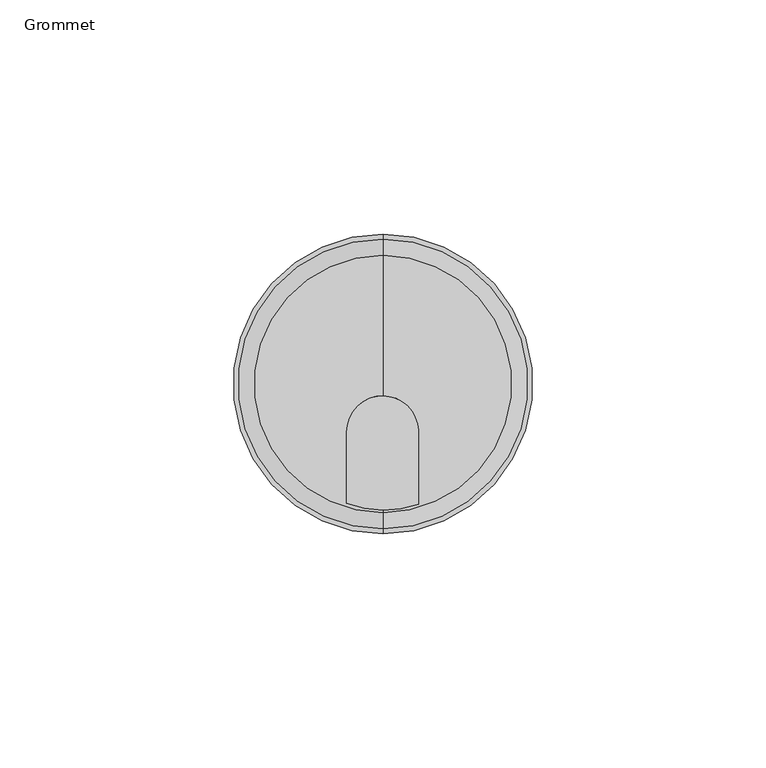
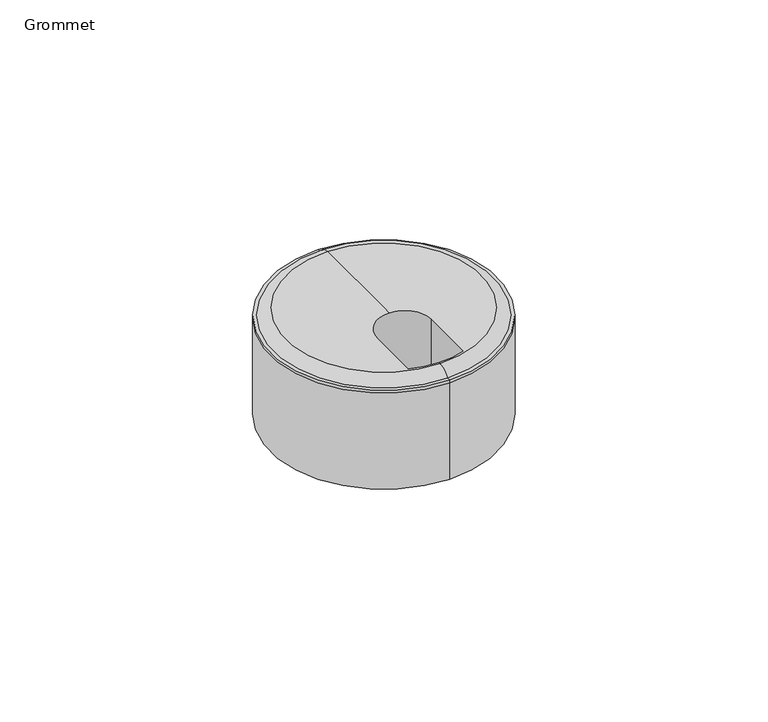
"""IFC4 building model written with IfcOpenShell, lengths in millimetres: furniture geometry, Grommet."""

import ifcopenshell
import ifcopenshell.guid

model = None  # the IFC model being written
_history = None  # IfcOwnerHistory: only IFC2X3 demands one
_inside = {}  # id of a spatial element -> (the spatial element, [elements in it])
_under = {}  # id of a project, library or spatial element -> (it, [spatial elements below it])
_declared = {}  # id of a project -> (the project, [libraries it declares])
_typed = {}  # id of a type object -> (the type object, [elements of that type])
_made_of = {}  # id of a material, layer set ... -> (it, [elements and type objects made of it])


def new_model(schema):
    """Start an empty IFC model of exactly this schema.

    Asked for "IFC4X3", IfcOpenShell would pick the latest addendum, in which some entities
    have other attributes; the version numbers below select the first issue.
    IFC2X3 requires an IfcOwnerHistory on every rooted entity: one is made here for all.
    """
    global model, _history
    if schema == "IFC4X3":
        model = ifcopenshell.file(schema_version=(4, 3, 0, 0))
    else:
        model = ifcopenshell.file(schema=schema)
    _inside.clear()
    _under.clear()
    _declared.clear()
    _typed.clear()
    _made_of.clear()
    _history = None
    if model.schema == "IFC2X3":
        org = make("IfcOrganization", Name="unknown")
        user = make(
            "IfcPersonAndOrganization",
            ThePerson=make("IfcPerson", FamilyName="unknown"),
            TheOrganization=org,
        )
        app = make(
            "IfcApplication",
            ApplicationDeveloper=org,
            Version="unknown",
            ApplicationFullName="unknown",
            ApplicationIdentifier="unknown",
        )
        _history = make(
            "IfcOwnerHistory",
            OwningUser=user,
            OwningApplication=app,
            ChangeAction="ADDED",
            CreationDate=0,
        )
    return model


def make(cls, **values):
    """One entity of the class cls with the attributes given. An attribute that is None is left unset."""
    return model.create_entity(
        cls, **{name: value for name, value in values.items() if value is not None}
    )


def rooted(cls, **values):
    """An entity with a GlobalId (a new one), such as an element, a storey or a relation."""
    return make(cls, GlobalId=ifcopenshell.guid.new(), OwnerHistory=_history, **values)


def si_unit(unit_type, name, prefix=None):
    """IfcSIUnit, for example si_unit("LENGTHUNIT", "METRE", prefix="MILLI")."""
    return make("IfcSIUnit", UnitType=unit_type, Prefix=prefix, Name=name)


def assignment(units):
    """IfcUnitAssignment: the units of a project."""
    return None if units is None else make("IfcUnitAssignment", Units=units)


def point(xyz):
    """IfcCartesianPoint."""
    return None if xyz is None else make("IfcCartesianPoint", Coordinates=xyz)


def direction(xyz):
    """IfcDirection."""
    return None if xyz is None else make("IfcDirection", DirectionRatios=xyz)


def frame(location, z_axis=None, x_axis=None):
    """IfcAxis2Placement3D, a coordinate frame: its origin and axes. An axis left out is left unset."""
    return make(
        "IfcAxis2Placement3D",
        Location=point(location),
        Axis=direction(z_axis),
        RefDirection=direction(x_axis),
    )


def origin():
    """The frame at (0, 0, 0) with its axes left unset."""
    return frame((0.0, 0.0, 0.0))


def place(relative_to, where):
    """IfcLocalPlacement: puts the frame where relative to a parent placement (None: the world)."""
    return make(
        "IfcLocalPlacement", PlacementRelTo=relative_to, RelativePlacement=where
    )


def context(
    kind, dimensions, precision=None, world=None, true_north=None, identifier=None
):
    """IfcGeometricRepresentationContext, for example the 3D "Model" context."""
    return make(
        "IfcGeometricRepresentationContext",
        ContextIdentifier=identifier,
        ContextType=kind,
        CoordinateSpaceDimension=dimensions,
        Precision=precision,
        WorldCoordinateSystem=world,
        TrueNorth=true_north,
    )


def project(units=None, contexts=None):
    """IfcProject with its units and contexts."""
    return rooted(
        "IfcProject",
        Name="project",
        RepresentationContexts=contexts,
        UnitsInContext=assignment(units),
    )


def spatial(cls, under=None, at=None, **own):
    """A site, building, storey or space (cls), placed at a placement, below another one or the project."""
    s = rooted(cls, ObjectPlacement=at, **own)
    if under is not None:
        _under.setdefault(under.id(), (under, []))[1].append(s)
    return s


def polyline(points):
    """IfcPolyline through the points."""
    return make("IfcPolyline", Points=[point(p) for p in points])


def circle_curve(where, radius):
    """IfcCircle in the frame where."""
    return make("IfcCircle", Position=where, Radius=radius)


def ellipse_curve(where, semi_axis1, semi_axis2):
    """IfcEllipse in the frame where."""
    return make(
        "IfcEllipse", Position=where, SemiAxis1=semi_axis1, SemiAxis2=semi_axis2
    )


def trimmed(basis, trim1, trim2, sense, master):
    """IfcTrimmedCurve: the piece of a basis curve between two trims."""
    return make(
        "IfcTrimmedCurve",
        BasisCurve=basis,
        Trim1=trim1,
        Trim2=trim2,
        SenseAgreement=sense,
        MasterRepresentation=master,
    )


def shape(context_of_items, identifier, shape_type, items):
    """IfcShapeRepresentation: the items that make up one representation, for example the "Body"."""
    return make(
        "IfcShapeRepresentation",
        ContextOfItems=context_of_items,
        RepresentationIdentifier=identifier,
        RepresentationType=shape_type,
        Items=items,
    )


def source(mapping_origin, context_of_items, identifier, shape_type, items):
    """IfcRepresentationMap: a shape defined once, which mapped items show again and again."""
    return make(
        "IfcRepresentationMap",
        MappingOrigin=mapping_origin,
        MappedRepresentation=shape(context_of_items, identifier, shape_type, items),
    )


def transform(
    local_origin,
    x_axis=None,
    y_axis=None,
    z_axis=None,
    scale=None,
    scale2=None,
    scale3=None,
    uniform=True,
):
    """IfcCartesianTransformationOperator3D, or its non-uniform kind. x_axis, y_axis, z_axis: its Axis1, 2, 3."""
    if uniform:
        return make(
            "IfcCartesianTransformationOperator3D",
            Axis1=direction(x_axis),
            Axis2=direction(y_axis),
            LocalOrigin=point(local_origin),
            Scale=scale,
            Axis3=direction(z_axis),
        )
    return make(
        "IfcCartesianTransformationOperator3DnonUniform",
        Axis1=direction(x_axis),
        Axis2=direction(y_axis),
        LocalOrigin=point(local_origin),
        Scale=scale,
        Axis3=direction(z_axis),
        Scale2=scale2,
        Scale3=scale3,
    )


def mapped(mapping_source, mapping_target):
    """IfcMappedItem: shows the shape of a source again, moved by a transform."""
    return make(
        "IfcMappedItem", MappingSource=mapping_source, MappingTarget=mapping_target
    )


def made_of(thing, what):
    """Note that an element or type object is made of a material, layer set ...; save() writes the relation."""
    if what is not None:
        _made_of.setdefault(what.id(), (what, []))[1].append(thing)
    return thing


def element(
    cls,
    number,
    at=None,
    inside=None,
    cuts=None,
    type_object=None,
    material=None,
    context=None,
    identifier="Body",
    shape_type=None,
    held_by="IfcProductDefinitionShape",
    body=None,
    shapes=None,
    **own,
):
    """One element of the class cls, such as IfcWall. Its Tag is "e" and its number.

    at: its placement. inside: the storey or other place that contains it. cuts: it is an
    opening in that element (IfcRelVoidsElement). A single representation is given by context,
    identifier, shape_type and body (its items); several are given by shapes. held_by: the class
    of the entity that holds the representations. save() writes the other relations.
    """
    e = rooted(cls, Tag="e%d" % number, ObjectPlacement=at, **own)
    if body is not None:
        shapes = [shape(context, identifier, shape_type, body)]
    if shapes is not None:
        e.Representation = make(held_by, Representations=shapes)
    if inside is not None:
        _inside.setdefault(inside.id(), (inside, []))[1].append(e)
    if cuts is not None:
        rooted(
            "IfcRelVoidsElement", RelatingBuildingElement=cuts, RelatedOpeningElement=e
        )
    if type_object is not None:
        _typed.setdefault(type_object.id(), (type_object, []))[1].append(e)
    return made_of(e, material)


def aggregate(whole, parts):
    """IfcRelAggregates: a whole, such as a stair, and the parts it consists of."""
    return rooted("IfcRelAggregates", RelatingObject=whole, RelatedObjects=parts)


def save(model, path):
    """Write the relations noted so far, then the file.

    IfcRelAggregates (storeys below a building ...), IfcRelContainedInSpatialStructure (elements
    in a storey), IfcRelDefinesByType, IfcRelAssociatesMaterial and IfcRelDeclares: one each for
    every whole, place, type object, material and project.
    """
    for whole, parts in _under.values():
        aggregate(whole, parts)
    for where, things in _inside.values():
        rooted(
            "IfcRelContainedInSpatialStructure",
            RelatedElements=things,
            RelatingStructure=where,
        )
    for kind, things in _typed.values():
        rooted("IfcRelDefinesByType", RelatedObjects=things, RelatingType=kind)
    for what, things in _made_of.values():
        rooted("IfcRelAssociatesMaterial", RelatedObjects=things, RelatingMaterial=what)
    for by, libraries in _declared.values():
        rooted("IfcRelDeclares", RelatingContext=by, RelatedDefinitions=libraries)
    model.write(path)


def plane_surface(at):
    """IfcPlane: the flat surface through the origin of the frame at, square to its z axis."""
    return make("IfcPlane", Position=at)


def cylinder_surface(at, radius):
    """IfcCylindricalSurface: all points at the distance radius from the z axis of the frame at."""
    return make("IfcCylindricalSurface", Position=at, Radius=radius)


def revolved_surface(curve, axis_point, axis_direction):
    """IfcSurfaceOfRevolution: the curve turned about the line through axis_point along axis_direction."""
    return make(
        "IfcSurfaceOfRevolution",
        SweptCurve=make("IfcArbitraryOpenProfileDef", ProfileType="CURVE", Curve=curve),
        AxisPosition=make("IfcAxis1Placement", Location=point(axis_point), Axis=direction(axis_direction)),
    )


def advanced_brep(points, edges, surfaces, faces):
    """IfcAdvancedBrep: a solid bounded by faces that lie on surfaces and meet in shared edges.

    An edge is (start, end): straight between two places in points (the first is 0);
    or (start, end, curve); or (start, end, curve, False) where it runs against its curve.
    A face is (place in surfaces, loops), or (place, loops, False) where it looks against
    its surface's normal. A loop lists edges by number (the first is 1), with a minus sign
    where the edge is run from its end to its start. The first loop is the outer one.
    """
    corners = [point(p) for p in points]
    vertices = [make("IfcVertexPoint", VertexGeometry=c) for c in corners]
    made = []
    for start, end, *more in edges:
        made.append(
            make(
                "IfcEdgeCurve",
                EdgeStart=vertices[start],
                EdgeEnd=vertices[end],
                EdgeGeometry=more[0] if more else make("IfcPolyline", Points=[corners[start], corners[end]]),
                SameSense=more[1] if len(more) > 1 else True,
            )
        )
    hull = []
    for where, loops, *sense in faces:
        bounds = []
        for j, loop in enumerate(loops):
            ring = [make("IfcOrientedEdge", EdgeElement=made[abs(k) - 1], Orientation=k > 0) for k in loop]
            bounds.append(
                make(
                    "IfcFaceOuterBound" if j == 0 else "IfcFaceBound",
                    Bound=make("IfcEdgeLoop", EdgeList=ring),
                    Orientation=True,
                )
            )
        hull.append(make("IfcAdvancedFace", Bounds=bounds, FaceSurface=surfaces[where], SameSense=sense[0] if sense else True))
    return make("IfcAdvancedBrep", Outer=make("IfcClosedShell", CfsFaces=hull))


def grommet_10c03f29(model_context):
    return source(origin(), model_context, "Body", "AdvancedBrep", [
        advanced_brep(
        [(0.0, -746.438187, 742.9236208), (0.0, -801.3643816, 742.9236208), (0.0, -800.8490671, 742.9236208), (-7.8605367, -799.404293, 742.9236208), (-7.8605367, -784.2110353, 742.9236208), (0.0, -776.4249943, 742.9236208), (0.0, -773.9012843, 742.9236208), (7.7015055, -783.8021018, 742.9236208), (7.7015055, -799.5406715, 742.9236208), (0.0, -742.9521935, 740.7497245), (0.0, -804.8503751, 740.7497245), (0.0, -741.9016872, 740.7497245), (0.0, -805.9008814, 740.7497245), (0.0, -741.9016872, 739.9289635), (0.0, -805.9008814, 739.9289635), (0.0, -741.9016872, 711.284709), (0.0, -805.9008814, 711.284709), (0.0, -773.9012843, 711.284709), (-7.8605367, -799.404293, 721.4856865), (7.7015055, -799.5406715, 721.4856865), (7.7015055, -783.8021018, 721.4856865), (-7.8605367, -784.2110353, 721.4856865)],
        [
            (0, 1, circle_curve(frame((0.0, -773.9012843, 742.9236208), z_axis=(0.0, 0.0, 1.0), x_axis=(0.0, -1.0, 0.0)), 27.4630973)),
            (1, 2),
            (2, 3, circle_curve(frame((0.1072585, -778.1598354, 742.9236208), z_axis=(0.0, 0.0, -1.0), x_axis=(1.0, 0.0, 0.0)), 22.6894852)),
            (3, 4),
            (4, 5, circle_curve(frame((-0.0741427, -784.2110353, 742.9236208), z_axis=(0.0, 0.0, -1.0), x_axis=(1.0, 0.0, 0.0)), 7.786394)),
            (5, 6),
            (6, 0),
            (5, 7, circle_curve(frame((-0.0741427, -784.2110353, 742.9236208), z_axis=(0.0, 0.0, -1.0), x_axis=(1.0, 0.0, 0.0)), 7.786394)),
            (7, 8),
            (8, 2, circle_curve(frame((0.1072585, -778.1598354, 742.9236208), z_axis=(0.0, 0.0, -1.0), x_axis=(1.0, 0.0, 0.0)), 22.6894852)),
            (1, 0, circle_curve(frame((0.0, -773.9012843, 742.9236208), z_axis=(0.0, 0.0, 1.0), x_axis=(0.0, -1.0, 0.0)), 27.4630973)),
            (0, 9, circle_curve(frame((0.0, -746.438187, 739.0416565), z_axis=(-1.0, 0.0, 0.0), x_axis=(0.0, 1.0, 0.0)), 3.8819643)),
            (9, 10, circle_curve(frame((0.0, -773.9012843, 740.7497245), z_axis=(0.0, 0.0, 1.0), x_axis=(0.0, -1.0, 0.0)), 30.9490908)),
            (10, 1, circle_curve(frame((0.0, -801.3643816, 739.0416565), z_axis=(-1.0, 0.0, 0.0), x_axis=(0.0, -1.0, 0.0)), 3.8819643)),
            (10, 9, circle_curve(frame((0.0, -773.9012843, 740.7497245), z_axis=(0.0, 0.0, 1.0), x_axis=(0.0, -1.0, 0.0)), 30.9490908)),
            (9, 11),
            (11, 12, circle_curve(frame((0.0, -773.9012843, 740.7497245), z_axis=(0.0, 0.0, 1.0), x_axis=(0.0, -1.0, 0.0)), 31.9995971)),
            (12, 10),
            (12, 11, circle_curve(frame((0.0, -773.9012843, 740.7497245), z_axis=(0.0, 0.0, 1.0), x_axis=(0.0, -1.0, 0.0)), 31.9995971)),
            (11, 13),
            (13, 14, circle_curve(frame((0.0, -773.9012843, 739.9289635), z_axis=(0.0, 0.0, 1.0), x_axis=(0.0, -1.0, 0.0)), 31.9995971)),
            (14, 12),
            (14, 13, circle_curve(frame((0.0, -773.9012843, 739.9289635), z_axis=(0.0, 0.0, 1.0), x_axis=(0.0, -1.0, 0.0)), 31.9995971)),
            (13, 15),
            (15, 16, circle_curve(frame((0.0, -773.9012843, 711.284709), z_axis=(0.0, 0.0, 1.0), x_axis=(0.0, -1.0, 0.0)), 31.9995971)),
            (16, 14),
            (16, 15, circle_curve(frame((0.0, -773.9012843, 711.284709), z_axis=(0.0, 0.0, 1.0), x_axis=(0.0, -1.0, 0.0)), 31.9995971)),
            (15, 17),
            (17, 16),
            (18, 19, circle_curve(frame((0.1072585, -778.1598354, 721.4856865), z_axis=(0.0, 0.0, 1.0), x_axis=(1.0, 0.0, 0.0)), 22.6894852)),
            (19, 20),
            (20, 21, circle_curve(frame((-0.0741427, -784.2110353, 721.4856865), z_axis=(0.0, 0.0, 1.0), x_axis=(1.0, 0.0, 0.0)), 7.786394)),
            (21, 18),
            (19, 8),
            (7, 20),
            (4, 21),
            (3, 18),
        ],
        [
            plane_surface(frame((0.0, -773.9012843, 742.9236208), z_axis=(0.0, 0.0, 1.0), x_axis=(0.0, -1.0, 0.0))),
            revolved_surface(trimmed(ellipse_curve(frame((0.0, -801.3643816, 739.0416565), z_axis=(1.0, 0.0, 0.0), x_axis=(0.0, -1.0, 0.0)), 3.8819643, 3.8819643), [point((0.0, -801.3643816, 742.9236208))], [point((0.0, -804.8503751, 740.7497245))], True, "CARTESIAN"), (0.0, -773.9012843, 742.9236208), (0.0, 0.0, -1.0)),
            plane_surface(frame((0.0, -773.9012843, 740.7497245), z_axis=(0.0, 0.0, 1.0), x_axis=(0.0, -1.0, 0.0))),
            cylinder_surface(frame((0.0, -773.9012843, 742.9236208), z_axis=(0.0, 0.0, -1.0), x_axis=(0.0, -1.0, 0.0)), 31.9995971),
            plane_surface(frame((0.0, -773.9012843, 711.284709), z_axis=(0.0, 0.0, -1.0), x_axis=(0.0, -1.0, 0.0))),
            plane_surface(frame((22.7967437, -778.1598354, 721.4856865), z_axis=(0.0, 0.0, 1.0), x_axis=(0.0, -1.0, 0.0))),
            plane_surface(frame((7.7015055, -799.5406715, 752.140356), z_axis=(-1.0, 0.0, 0.0), x_axis=(0.0, 0.0, -1.0))),
            revolved_surface(polyline([(7.712251299999999, -784.2110353, 742.9236208), (7.712251299999999, -784.2110353, 721.4856865)]), (-0.0741427, -784.2110353, 721.4856865), (0.0, 0.0, 1.0)),
            plane_surface(frame((-7.8605367, -784.2110353, 752.140356), z_axis=(1.0, 0.0, 0.0), x_axis=(0.0, 0.0, -1.0))),
            revolved_surface(polyline([(22.7967437, -778.1598354, 742.9236208), (22.7967437, -778.1598354, 721.4856865)]), (0.1072585, -778.1598354, 721.4856865), (0.0, 0.0, 1.0)),
        ],
        [
            (0, [[1, 2, 3, 4, 5, 6, 7]]),
            (0, [[-7, -6, 8, 9, 10, -2, 11]]),
            (1, [[-1, 12, 13, 14]]),
            (1, [[-11, -14, 15, -12]]),
            (2, [[-13, 16, 17, 18]]),
            (2, [[-15, -18, 19, -16]]),
            (3, [[-17, 20, 21, 22]]),
            (3, [[-19, -22, 23, -20]]),
            (3, [[-21, 24, 25, 26]]),
            (3, [[-23, -26, 27, -24]]),
            (4, [[-25, 28, 29]]),
            (4, [[-27, -29, -28]]),
            (5, [[30, 31, 32, 33]]),
            (6, [[-31, 34, -9, 35]]),
            (7, [[-32, -35, -8, -5, 36]]),
            (8, [[-33, -36, -4, 37]]),
            (9, [[-30, -37, -3, -10, -34]]),
        ],
    ),
    ])


if __name__ == "__main__":
    model = new_model("IFC4")
    model_context = context("Model", 3, world=origin())
    ifc_project = project(units=[si_unit("LENGTHUNIT", "METRE", prefix="MILLI")], contexts=[model_context])
    site = spatial("IfcSite", under=ifc_project)
    building = spatial("IfcBuilding", under=site)
    placement = place(None, origin())
    grommet_shape = grommet_10c03f29(model_context)
    element("IfcFurniture", 1, ObjectType="Grommet", at=placement, inside=building, context=model_context, shape_type="MappedRepresentation", body=[
        mapped(grommet_shape, transform((0.0, 0.0, 0.0), x_axis=(1.0, 0.0, 0.0), y_axis=(0.0, 1.0, 0.0), z_axis=(0.0, 0.0, 1.0))),
    ])
    save(model, "model.ifc")
